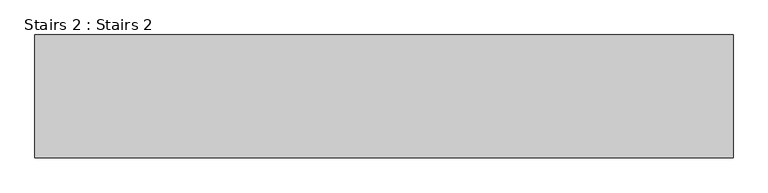
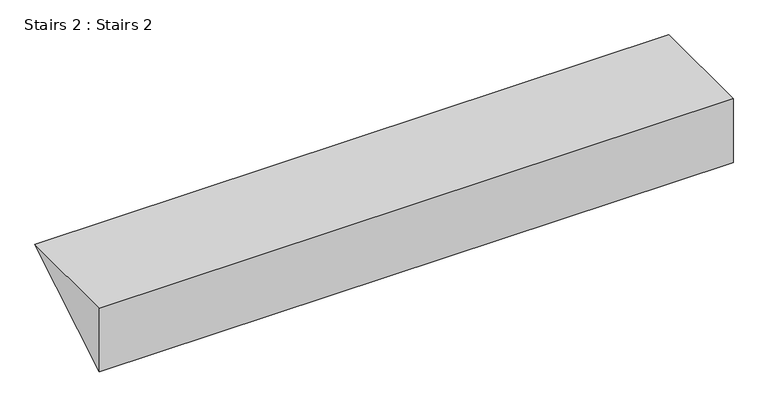
"""IFC4 building model written with IfcOpenShell, lengths in millimetres: stair geometry, Stairs 2 : Stairs 2."""

from ifc_helpers import new_model, si_unit, frame, origin, place, context, project, spatial, polyline, outline, extrude, source, transform, mapped, element, save


def stairs_2_stairs_2_23108bcc(model_context):
    return source(origin(), model_context, "Body", "SweptSolid", [
        extrude(outline(polyline([(-10104.0672499, 2018.23577), (-10104.0672499, 2170.0), (-9852.1266309, 2170.0), (-10104.0672499, 2018.23577)])), frame((-32245.6912908, 0.0, 0.0), z_axis=(1.0, 0.0, 0.0), x_axis=(0.0, 1.0, 0.0)), (0.0, 0.0, 1.0), 1430.0),
    ])


if __name__ == "__main__":
    model = new_model("IFC4")
    model_context = context("Model", 3, world=origin())
    ifc_project = project(units=[si_unit("LENGTHUNIT", "METRE", prefix="MILLI")], contexts=[model_context])
    site = spatial("IfcSite", under=ifc_project)
    building = spatial("IfcBuilding", under=site)
    placement = place(None, origin())
    stairs_2_stairs_2_shape = stairs_2_stairs_2_23108bcc(model_context)
    element("IfcStair", 1, ObjectType="Stairs 2 : Stairs 2", at=placement, inside=building, context=model_context, shape_type="MappedRepresentation", body=[
        mapped(stairs_2_stairs_2_shape, transform((0.0, 0.0, 0.0), x_axis=(1.0, 0.0, 0.0), y_axis=(0.0, 1.0, 0.0), z_axis=(0.0, 0.0, 1.0))),
    ])
    save(model, "model.ifc")
